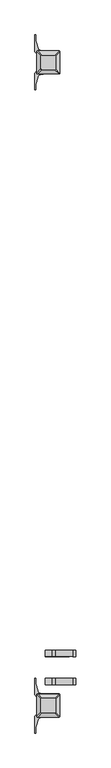
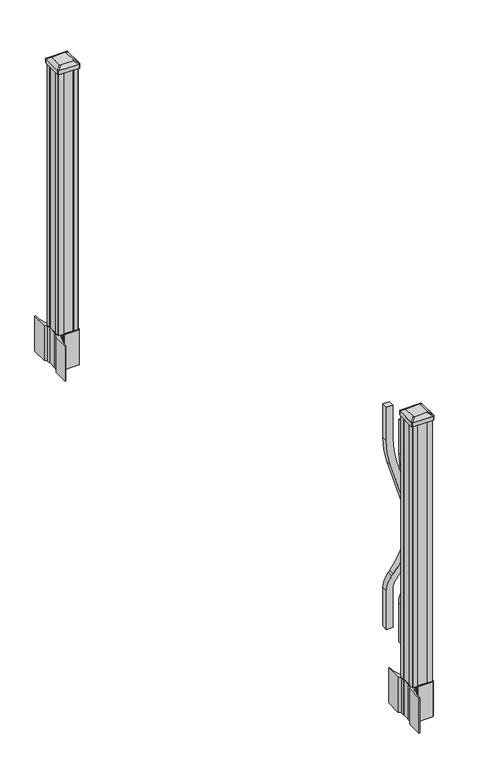
"""IFC4 building model written with IfcOpenShell, lengths in millimetres: railing geometry."""

from ifc_helpers import new_model, si_unit, point, frame, frame_2d, origin, origin_with_axes, place, context, project, spatial, polyline, circle_curve, trimmed, segment, composite_curve, outline, extrude, source, transform, mapped, element, save
from ifc_brep_helpers import plane_surface, extruded_surface, advanced_brep


def railing_8b7f5118(model_context):
    return source(origin(), model_context, "Body", "SolidModel", [
        extrude(outline(composite_curve([segment(polyline([(921.03216, 3399.4751918), (1066.8, 3399.4751918), (1066.8, 3374.0751918), (921.03216, 3374.0751918)]), True, "CONTINUOUS"), segment(trimmed(circle_curve(frame_2d((921.03216, 3746.7751918)), 372.7), [point((921.03216, 3374.0751918))], [point((812.0652257, 3390.3604092))], False, "CARTESIAN"), True, "CONTINUOUS"), segment(polyline([(812.0652257, 3390.3604092), (590.2121964, 3458.1876871)]), True, "CONTINUOUS"), segment(trimmed(circle_curve(frame_2d((512.0612397, 3202.5674258)), 267.3), [point((590.2121964, 3458.1876871))], [point((333.9522516, 3401.8824486))], True, "CARTESIAN"), True, "CONTINUOUS"), segment(polyline([(333.9522516, 3401.8824486), (327.7955374, 3396.3807754)]), True, "CONTINUOUS"), segment(trimmed(circle_curve(frame_2d((269.3587313, 3461.7751918)), 87.7), [point((327.7955374, 3396.3807754))], [point((269.3587313, 3374.0751918))], False, "CARTESIAN"), True, "CONTINUOUS"), segment(polyline([(269.3587313, 3374.0751918), (101.5958781, 3374.0751918), (101.5958781, 3399.4751918), (269.3587313, 3399.4751918)]), True, "CONTINUOUS"), segment(trimmed(circle_curve(frame_2d((269.3587313, 3461.7751918)), 62.3), [point((269.3587313, 3399.4751918))], [point((310.8708524, 3415.3205494))], True, "CARTESIAN"), True, "CONTINUOUS"), segment(polyline([(310.8708524, 3415.3205494), (317.0275666, 3420.8222226)]), True, "CONTINUOUS"), segment(trimmed(circle_curve(frame_2d((512.0612397, 3202.5674258)), 292.7), [point((317.0275666, 3420.8222226))], [point((597.6384377, 3482.4778279))], False, "CARTESIAN"), True, "CONTINUOUS"), segment(polyline([(597.6384377, 3482.4778279), (819.491467, 3414.65055)]), True, "CONTINUOUS"), segment(trimmed(circle_curve(frame_2d((921.03216, 3746.7751918)), 347.3), [point((819.491467, 3414.65055))], [point((921.03216, 3399.4751918))], True, "CARTESIAN"), True, "CONTINUOUS")], self_intersect=False)), frame((0.0, -47918.2148968, 0.0), z_axis=(0.0, 1.0, 0.0), x_axis=(0.0, 0.0, 1.0)), (0.0, 0.0, 1.0), 25.4),
        extrude(outline(composite_curve([segment(polyline([(921.03216, 3399.4751918), (1066.8, 3399.4751918), (1066.8, 3374.0751918), (921.03216, 3374.0751918)]), True, "CONTINUOUS"), segment(trimmed(circle_curve(frame_2d((921.03216, 3746.7751918)), 372.7), [point((921.03216, 3374.0751918))], [point((812.0652257, 3390.3604092))], False, "CARTESIAN"), True, "CONTINUOUS"), segment(polyline([(812.0652257, 3390.3604092), (590.2121964, 3458.1876871)]), True, "CONTINUOUS"), segment(trimmed(circle_curve(frame_2d((512.0612397, 3202.5674258)), 267.3), [point((590.2121964, 3458.1876871))], [point((333.9522516, 3401.8824486))], True, "CARTESIAN"), True, "CONTINUOUS"), segment(polyline([(333.9522516, 3401.8824486), (327.7955374, 3396.3807754)]), True, "CONTINUOUS"), segment(trimmed(circle_curve(frame_2d((269.3587313, 3461.7751918)), 87.7), [point((327.7955374, 3396.3807754))], [point((269.3587313, 3374.0751918))], False, "CARTESIAN"), True, "CONTINUOUS"), segment(polyline([(269.3587313, 3374.0751918), (101.5958781, 3374.0751918), (101.5958781, 3399.4751918), (269.3587313, 3399.4751918)]), True, "CONTINUOUS"), segment(trimmed(circle_curve(frame_2d((269.3587313, 3461.7751918)), 62.3), [point((269.3587313, 3399.4751918))], [point((310.8708524, 3415.3205494))], True, "CARTESIAN"), True, "CONTINUOUS"), segment(polyline([(310.8708524, 3415.3205494), (317.0275666, 3420.8222226)]), True, "CONTINUOUS"), segment(trimmed(circle_curve(frame_2d((512.0612397, 3202.5674258)), 292.7), [point((317.0275666, 3420.8222226))], [point((597.6384377, 3482.4778279))], False, "CARTESIAN"), True, "CONTINUOUS"), segment(polyline([(597.6384377, 3482.4778279), (819.491467, 3414.65055)]), True, "CONTINUOUS"), segment(trimmed(circle_curve(frame_2d((921.03216, 3746.7751918)), 347.3), [point((819.491467, 3414.65055))], [point((921.03216, 3399.4751918))], True, "CARTESIAN"), True, "CONTINUOUS")], self_intersect=False)), frame((0.0, -48029.4668968, 0.0), z_axis=(0.0, 1.0, 0.0), x_axis=(0.0, 0.0, 1.0)), (0.0, 0.0, 1.0), 25.4),
        extrude(outline(composite_curve([segment(polyline([(3429.5106918, -45606.6749917), (3431.0981918, -45607.4369917), (3431.0981918, -45630.2389198), (3427.7252147, -45633.6118968), (3366.2655439, -45633.6118968), (3366.2655439, -45634.5326468), (3360.9480001, -45634.5326468), (3360.9480001, -45635.9869015), (3355.8634704, -45635.9869015), (3355.8634704, -45637.2709253), (3354.1961981, -45637.2709253)]), True, "CONTINUOUS"), segment(trimmed(circle_curve(frame_2d((3354.1961981, -45644.3303852)), 7.0594599), [point((3354.1961981, -45637.2709253))], [point((3347.4289352, -45642.3203785))], True, "CARTESIAN"), True, "CONTINUOUS"), segment(polyline([(3347.4289352, -45642.3203785), (3339.554741, -45668.8311076)]), True, "CONTINUOUS"), segment(trimmed(circle_curve(frame_2d((3394.3392543, -45685.1031573)), 57.15), [point((3339.554741, -45668.8311076))], [point((3337.1892543, -45685.1031573))], True, "CARTESIAN"), True, "CONTINUOUS"), segment(polyline([(3337.1892543, -45685.1031573), (3337.1892543, -45697.1118968), (3334.1892543, -45697.1118968), (3334.1892543, -45632.0243968), (3342.4521918, -45620.6861055), (3342.4521918, -45607.4369917), (3344.0396918, -45606.6749917), (3344.0396918, -45571.902802), (3342.4521918, -45571.140802), (3342.4521918, -45557.8916882), (3334.1892543, -45546.5533968), (3334.1892543, -45481.4658968), (3337.1892543, -45481.4658968), (3337.1892543, -45493.4746364)]), True, "CONTINUOUS"), segment(trimmed(circle_curve(frame_2d((3394.3392543, -45493.4746364)), 57.15), [point((3337.1892543, -45493.4746364))], [point((3339.554741, -45509.746686))], True, "CARTESIAN"), True, "CONTINUOUS"), segment(polyline([(3339.554741, -45509.746686), (3347.4289352, -45536.2574151)]), True, "CONTINUOUS"), segment(trimmed(circle_curve(frame_2d((3354.1961981, -45534.2474085)), 7.0594599), [point((3347.4289352, -45536.2574151))], [point((3354.1961981, -45541.3068683))], True, "CARTESIAN"), True, "CONTINUOUS"), segment(polyline([(3354.1961981, -45541.3068683), (3355.8634704, -45541.3068683), (3355.8634704, -45542.5908921), (3360.9480001, -45542.5908921), (3360.9480001, -45544.0451468), (3366.2655439, -45544.0451468), (3366.2655439, -45544.9658968), (3427.7252147, -45544.9658968), (3431.0981918, -45548.3388739), (3431.0981918, -45571.140802), (3429.5106918, -45571.902802), (3429.5106918, -45606.6749917)]), True, "CONTINUOUS")], self_intersect=False), holes=[polyline([(3345.5001918, -45549.6013968), (3345.5001918, -45628.9763968), (3347.0876918, -45630.5638968), (3384.0119744, -45630.5638968), (3426.4626918, -45630.5638968), (3428.0501918, -45628.9763968), (3428.0501918, -45549.6013968), (3426.4626918, -45548.0138968), (3384.0119744, -45548.0138968), (3347.0876918, -45548.0138968), (3345.5001918, -45549.6013968)])]), frame((0.0, 0.0, -152.4), z_axis=(0.0, 0.0, 1.0), x_axis=(1.0, 0.0, 0.0)), (0.0, 0.0, 1.0), 152.4),
        advanced_brep(
        [(3360.9783168, -45618.2607718, 1165.225), (3412.5720668, -45618.2607718, 1165.225), (3415.7470668, -45615.0857718, 1165.225), (3415.7470668, -45563.4920218, 1165.225), (3412.5720668, -45560.3170218, 1165.225), (3360.9783168, -45560.3170218, 1165.225), (3357.8033168, -45563.4920218, 1165.225), (3357.8033168, -45615.0857718, 1165.225), (3344.7064418, -45634.5326468, 1153.922), (3341.5314418, -45631.3576468, 1153.922), (3341.5314418, -45547.2201468, 1153.922), (3344.7064418, -45544.0451468, 1153.922), (3428.8439418, -45544.0451468, 1153.922), (3432.0189418, -45547.2201468, 1153.922), (3432.0189418, -45631.3576468, 1153.922), (3428.8439418, -45634.5326468, 1153.922)],
        [
            (0, 1),
            (1, 2, circle_curve(frame((3412.5720668, -45615.0857718, 1165.225), z_axis=(0.0, 0.0, 1.0), x_axis=(0.0, 1.0, 0.0)), 3.175)),
            (2, 3),
            (3, 4, circle_curve(frame((3412.5720668, -45563.4920218, 1165.225), z_axis=(0.0, 0.0, 1.0), x_axis=(0.0, 1.0, 0.0)), 3.175)),
            (4, 5),
            (5, 6, circle_curve(frame((3360.9783168, -45563.4920218, 1165.225), z_axis=(0.0, 0.0, 1.0), x_axis=(0.0, 1.0, 0.0)), 3.175)),
            (6, 7),
            (7, 0, circle_curve(frame((3360.9783168, -45615.0857718, 1165.225), z_axis=(0.0, 0.0, 1.0), x_axis=(0.0, 1.0, 0.0)), 3.175)),
            (8, 9, circle_curve(frame((3344.7064418, -45631.3576468, 1153.922), z_axis=(0.0, 0.0, -1.0), x_axis=(0.0, 1.0, 0.0)), 3.175)),
            (9, 10),
            (10, 11, circle_curve(frame((3344.7064418, -45547.2201468, 1153.922), z_axis=(0.0, 0.0, -1.0), x_axis=(0.0, 1.0, 0.0)), 3.175)),
            (11, 12),
            (12, 13, circle_curve(frame((3428.8439418, -45547.2201468, 1153.922), z_axis=(0.0, 0.0, -1.0), x_axis=(0.0, 1.0, 0.0)), 3.175)),
            (13, 14),
            (14, 15, circle_curve(frame((3428.8439418, -45631.3576468, 1153.922), z_axis=(0.0, 0.0, -1.0), x_axis=(0.0, 1.0, 0.0)), 3.175)),
            (15, 8),
            (8, 0),
            (7, 9),
            (6, 10),
            (5, 11),
            (4, 12),
            (3, 13),
            (2, 14),
            (1, 15),
        ],
        [
            plane_surface(frame((3386.7751918, -45589.2888968, 1165.225), z_axis=(0.0, 0.0, 1.0), x_axis=(-1.0, 0.0, 0.0))),
            plane_surface(frame((3386.7751918, -45589.2888968, 1153.922), z_axis=(0.0, 0.0, -1.0), x_axis=(-1.0, 0.0, 0.0))),
            extruded_surface(trimmed(circle_curve(frame((3360.9783168, -45615.0857718, 1165.225), z_axis=(0.0, 0.0, -1.0), x_axis=(0.0, 1.0, 0.0)), 3.175), [point((3360.9783168, -45618.2607718, 1165.225))], [point((3357.8033168, -45615.0857718, 1165.225))], True, "CARTESIAN"), (-16.27187499999991, -16.27187500000582, -11.302999999999884), 25.637972638869748),
            plane_surface(frame((3341.5314418, -45589.2888968, 1153.922), z_axis=(-0.5705009161540777, 0.0, 0.8212969649690409), x_axis=(0.0, 1.0, 0.0))),
            extruded_surface(trimmed(circle_curve(frame((3360.9783168, -45563.4920218, 1165.225), z_axis=(0.0, 0.0, -1.0), x_axis=(0.0, 1.0, 0.0)), 3.175), [point((3357.8033168, -45563.4920218, 1165.225))], [point((3360.9783168, -45560.3170218, 1165.225))], True, "CARTESIAN"), (-16.27187499999991, 16.271874999998545, -11.302999999999884), 25.63797263886513),
            plane_surface(frame((3386.7751918, -45544.0451468, 1153.922), z_axis=(0.0, 0.5705009161540291, 0.8212969649690747), x_axis=(1.0, 0.0, 0.0))),
            extruded_surface(trimmed(circle_curve(frame((3412.5720668, -45563.4920218, 1165.225), z_axis=(0.0, 0.0, -1.0), x_axis=(0.0, 1.0, 0.0)), 3.175), [point((3412.5720668, -45560.3170218, 1165.225))], [point((3415.7470668, -45563.4920218, 1165.225))], True, "CARTESIAN"), (16.27187499999991, 16.271874999998545, -11.302999999999884), 25.63797263886513),
            plane_surface(frame((3432.0189418, -45589.2888968, 1153.922), z_axis=(0.5705009161540143, 0.0, 0.821296964969085), x_axis=(0.0, -1.0, 0.0))),
            extruded_surface(trimmed(circle_curve(frame((3412.5720668, -45615.0857718, 1165.225), z_axis=(0.0, 0.0, -1.0), x_axis=(0.0, 1.0, 0.0)), 3.175), [point((3415.7470668, -45615.0857718, 1165.225))], [point((3412.5720668, -45618.2607718, 1165.225))], True, "CARTESIAN"), (16.27187499999991, -16.27187500000582, -11.302999999999884), 25.637972638869748),
            plane_surface(frame((3386.7751918, -45634.5326468, 1153.922), z_axis=(0.0, -0.570500916154034, 0.8212969649690713), x_axis=(-1.0, 0.0, 0.0))),
        ],
        [
            (0, [[1, 2, 3, 4, 5, 6, 7, 8]]),
            (1, [[9, 10, 11, 12, 13, 14, 15, 16]]),
            (2, [[17, -8, 18, -9]]),
            (3, [[-18, -7, 19, -10]]),
            (4, [[-19, -6, 20, -11]]),
            (5, [[-20, -5, 21, -12]]),
            (6, [[-21, -4, 22, -13]]),
            (7, [[-22, -3, 23, -14]]),
            (8, [[-23, -2, 24, -15]]),
            (9, [[-24, -1, -17, -16]]),
        ],
    ),
        extrude(outline(composite_curve([segment(trimmed(circle_curve(frame_2d((3344.7064418, -45631.3576468)), 3.175), [point((3344.7064418, -45634.5326468))], [point((3341.5314418, -45631.3576468))], False, "CARTESIAN"), True, "CONTINUOUS"), segment(polyline([(3341.5314418, -45631.3576468), (3341.5314418, -45547.2201468)]), True, "CONTINUOUS"), segment(trimmed(circle_curve(frame_2d((3344.7064418, -45547.2201468)), 3.175), [point((3341.5314418, -45547.2201468))], [point((3344.7064418, -45544.0451468))], False, "CARTESIAN"), True, "CONTINUOUS"), segment(polyline([(3344.7064418, -45544.0451468), (3428.8439418, -45544.0451468)]), True, "CONTINUOUS"), segment(trimmed(circle_curve(frame_2d((3428.8439418, -45547.2201468)), 3.175), [point((3428.8439418, -45544.0451468))], [point((3432.0189418, -45547.2201468))], False, "CARTESIAN"), True, "CONTINUOUS"), segment(polyline([(3432.0189418, -45547.2201468), (3432.0189418, -45631.3576468)]), True, "CONTINUOUS"), segment(trimmed(circle_curve(frame_2d((3428.8439418, -45631.3576468)), 3.175), [point((3432.0189418, -45631.3576468))], [point((3428.8439418, -45634.5326468))], False, "CARTESIAN"), True, "CONTINUOUS"), segment(polyline([(3428.8439418, -45634.5326468), (3344.7064418, -45634.5326468)]), True, "CONTINUOUS")], self_intersect=False)), frame((0.0, 0.0, 1136.65), z_axis=(0.0, 0.0, 1.0), x_axis=(1.0, 0.0, 0.0)), (0.0, 0.0, 1.0), 17.272),
        extrude(outline(polyline([(3347.0876918, -45630.5638968), (3345.5001918, -45628.9763968), (3345.5001918, -45609.3548968), (3347.0876918, -45608.5928968), (3347.0876918, -45569.9848968), (3345.5001918, -45569.2228968), (3345.5001918, -45549.6013968), (3347.0876918, -45548.0138968), (3366.7091918, -45548.0138968), (3367.4711918, -45549.6013968), (3406.0791918, -45549.6013968), (3406.8411918, -45548.0138968), (3426.4626918, -45548.0138968), (3428.0501918, -45549.6013968), (3428.0501918, -45569.2228968), (3426.4626918, -45569.9848968), (3426.4626918, -45608.5928968), (3428.0501918, -45609.3548968), (3428.0501918, -45628.9763968), (3426.4626918, -45630.5638968), (3406.8411918, -45630.5638968), (3406.0791918, -45628.9763968), (3367.4711918, -45628.9763968), (3366.7091918, -45630.5638968), (3347.0876918, -45630.5638968)])), origin_with_axes(), (0.0, 0.0, 1.0), 1136.65),
        extrude(outline(composite_curve([segment(polyline([(3429.5106918, -48127.8789917), (3431.0981918, -48128.6409917), (3431.0981918, -48151.4429198), (3427.7252147, -48154.8158968), (3366.2655439, -48154.8158968), (3366.2655439, -48155.7366468), (3360.9480001, -48155.7366468), (3360.9480001, -48157.1909015), (3355.8634704, -48157.1909015), (3355.8634704, -48158.4749253), (3354.1961981, -48158.4749253)]), True, "CONTINUOUS"), segment(trimmed(circle_curve(frame_2d((3354.1961981, -48165.5343852)), 7.0594599), [point((3354.1961981, -48158.4749253))], [point((3347.4289352, -48163.5243785))], True, "CARTESIAN"), True, "CONTINUOUS"), segment(polyline([(3347.4289352, -48163.5243785), (3339.554741, -48190.0351076)]), True, "CONTINUOUS"), segment(trimmed(circle_curve(frame_2d((3394.3392543, -48206.3071573)), 57.15), [point((3339.554741, -48190.0351076))], [point((3337.1892543, -48206.3071573))], True, "CARTESIAN"), True, "CONTINUOUS"), segment(polyline([(3337.1892543, -48206.3071573), (3337.1892543, -48218.3158968), (3334.1892543, -48218.3158968), (3334.1892543, -48153.2283968), (3342.4521918, -48141.8901055), (3342.4521918, -48128.6409917), (3344.0396918, -48127.8789917), (3344.0396918, -48093.106802), (3342.4521918, -48092.344802), (3342.4521918, -48079.0956882), (3334.1892543, -48067.7573968), (3334.1892543, -48002.6698968), (3337.1892543, -48002.6698968), (3337.1892543, -48014.6786364)]), True, "CONTINUOUS"), segment(trimmed(circle_curve(frame_2d((3394.3392543, -48014.6786364)), 57.15), [point((3337.1892543, -48014.6786364))], [point((3339.554741, -48030.950686))], True, "CARTESIAN"), True, "CONTINUOUS"), segment(polyline([(3339.554741, -48030.950686), (3347.4289352, -48057.4614151)]), True, "CONTINUOUS"), segment(trimmed(circle_curve(frame_2d((3354.1961981, -48055.4514085)), 7.0594599), [point((3347.4289352, -48057.4614151))], [point((3354.1961981, -48062.5108683))], True, "CARTESIAN"), True, "CONTINUOUS"), segment(polyline([(3354.1961981, -48062.5108683), (3355.8634704, -48062.5108683), (3355.8634704, -48063.7948921), (3360.9480001, -48063.7948921), (3360.9480001, -48065.2491468), (3366.2655439, -48065.2491468), (3366.2655439, -48066.1698968), (3427.7252147, -48066.1698968), (3431.0981918, -48069.5428739), (3431.0981918, -48092.344802), (3429.5106918, -48093.106802), (3429.5106918, -48127.8789917)]), True, "CONTINUOUS")], self_intersect=False), holes=[polyline([(3345.5001918, -48070.8053968), (3345.5001918, -48150.1803968), (3347.0876918, -48151.7678968), (3384.0119744, -48151.7678968), (3426.4626918, -48151.7678968), (3428.0501918, -48150.1803968), (3428.0501918, -48070.8053968), (3426.4626918, -48069.2178968), (3384.0119744, -48069.2178968), (3347.0876918, -48069.2178968), (3345.5001918, -48070.8053968)])]), frame((0.0, 0.0, -152.4), z_axis=(0.0, 0.0, 1.0), x_axis=(1.0, 0.0, 0.0)), (0.0, 0.0, 1.0), 152.4),
        advanced_brep(
        [(3360.9783168, -48139.4647718, 1165.225), (3412.5720668, -48139.4647718, 1165.225), (3415.7470668, -48136.2897718, 1165.225), (3415.7470668, -48084.6960218, 1165.225), (3412.5720668, -48081.5210218, 1165.225), (3360.9783168, -48081.5210218, 1165.225), (3357.8033168, -48084.6960218, 1165.225), (3357.8033168, -48136.2897718, 1165.225), (3344.7064418, -48155.7366468, 1153.922), (3341.5314418, -48152.5616468, 1153.922), (3341.5314418, -48068.4241468, 1153.922), (3344.7064418, -48065.2491468, 1153.922), (3428.8439418, -48065.2491468, 1153.922), (3432.0189418, -48068.4241468, 1153.922), (3432.0189418, -48152.5616468, 1153.922), (3428.8439418, -48155.7366468, 1153.922)],
        [
            (0, 1),
            (1, 2, circle_curve(frame((3412.5720668, -48136.2897718, 1165.225), z_axis=(0.0, 0.0, 1.0), x_axis=(0.0, 1.0, 0.0)), 3.175)),
            (2, 3),
            (3, 4, circle_curve(frame((3412.5720668, -48084.6960218, 1165.225), z_axis=(0.0, 0.0, 1.0), x_axis=(0.0, 1.0, 0.0)), 3.175)),
            (4, 5),
            (5, 6, circle_curve(frame((3360.9783168, -48084.6960218, 1165.225), z_axis=(0.0, 0.0, 1.0), x_axis=(0.0, 1.0, 0.0)), 3.175)),
            (6, 7),
            (7, 0, circle_curve(frame((3360.9783168, -48136.2897718, 1165.225), z_axis=(0.0, 0.0, 1.0), x_axis=(0.0, 1.0, 0.0)), 3.175)),
            (8, 9, circle_curve(frame((3344.7064418, -48152.5616468, 1153.922), z_axis=(0.0, 0.0, -1.0), x_axis=(0.0, 1.0, 0.0)), 3.175)),
            (9, 10),
            (10, 11, circle_curve(frame((3344.7064418, -48068.4241468, 1153.922), z_axis=(0.0, 0.0, -1.0), x_axis=(0.0, 1.0, 0.0)), 3.175)),
            (11, 12),
            (12, 13, circle_curve(frame((3428.8439418, -48068.4241468, 1153.922), z_axis=(0.0, 0.0, -1.0), x_axis=(0.0, 1.0, 0.0)), 3.175)),
            (13, 14),
            (14, 15, circle_curve(frame((3428.8439418, -48152.5616468, 1153.922), z_axis=(0.0, 0.0, -1.0), x_axis=(0.0, 1.0, 0.0)), 3.175)),
            (15, 8),
            (8, 0),
            (7, 9),
            (6, 10),
            (5, 11),
            (4, 12),
            (3, 13),
            (2, 14),
            (1, 15),
        ],
        [
            plane_surface(frame((3386.7751918, -48110.4928968, 1165.225), z_axis=(0.0, 0.0, 1.0), x_axis=(-1.0, 0.0, 0.0))),
            plane_surface(frame((3386.7751918, -48110.4928968, 1153.922), z_axis=(0.0, 0.0, -1.0), x_axis=(-1.0, 0.0, 0.0))),
            extruded_surface(trimmed(circle_curve(frame((3360.9783168, -48136.2897718, 1165.225), z_axis=(0.0, 0.0, -1.0), x_axis=(0.0, 1.0, 0.0)), 3.175), [point((3360.9783168, -48139.4647718, 1165.225))], [point((3357.8033168, -48136.2897718, 1165.225))], True, "CARTESIAN"), (-16.27187499999991, -16.271874999998545, -11.302999999999884), 25.63797263886513),
            plane_surface(frame((3341.5314418, -48110.4928968, 1153.922), z_axis=(-0.5705009161540777, 0.0, 0.8212969649690409), x_axis=(0.0, 1.0, 0.0))),
            extruded_surface(trimmed(circle_curve(frame((3360.9783168, -48084.6960218, 1165.225), z_axis=(0.0, 0.0, -1.0), x_axis=(0.0, 1.0, 0.0)), 3.175), [point((3357.8033168, -48084.6960218, 1165.225))], [point((3360.9783168, -48081.5210218, 1165.225))], True, "CARTESIAN"), (-16.27187499999991, 16.27187500000582, -11.302999999999884), 25.637972638869748),
            plane_surface(frame((3386.7751918, -48065.2491468, 1153.922), z_axis=(0.0, 0.5705009161540291, 0.8212969649690747), x_axis=(1.0, 0.0, 0.0))),
            extruded_surface(trimmed(circle_curve(frame((3412.5720668, -48084.6960218, 1165.225), z_axis=(0.0, 0.0, -1.0), x_axis=(0.0, 1.0, 0.0)), 3.175), [point((3412.5720668, -48081.5210218, 1165.225))], [point((3415.7470668, -48084.6960218, 1165.225))], True, "CARTESIAN"), (16.27187499999991, 16.27187500000582, -11.302999999999884), 25.637972638869748),
            plane_surface(frame((3432.0189418, -48110.4928968, 1153.922), z_axis=(0.5705009161540143, 0.0, 0.821296964969085), x_axis=(0.0, -1.0, 0.0))),
            extruded_surface(trimmed(circle_curve(frame((3412.5720668, -48136.2897718, 1165.225), z_axis=(0.0, 0.0, -1.0), x_axis=(0.0, 1.0, 0.0)), 3.175), [point((3415.7470668, -48136.2897718, 1165.225))], [point((3412.5720668, -48139.4647718, 1165.225))], True, "CARTESIAN"), (16.27187499999991, -16.271874999998545, -11.302999999999884), 25.63797263886513),
            plane_surface(frame((3386.7751918, -48155.7366468, 1153.922), z_axis=(0.0, -0.570500916154034, 0.8212969649690713), x_axis=(-1.0, 0.0, 0.0))),
        ],
        [
            (0, [[1, 2, 3, 4, 5, 6, 7, 8]]),
            (1, [[9, 10, 11, 12, 13, 14, 15, 16]]),
            (2, [[17, -8, 18, -9]]),
            (3, [[-18, -7, 19, -10]]),
            (4, [[-19, -6, 20, -11]]),
            (5, [[-20, -5, 21, -12]]),
            (6, [[-21, -4, 22, -13]]),
            (7, [[-22, -3, 23, -14]]),
            (8, [[-23, -2, 24, -15]]),
            (9, [[-24, -1, -17, -16]]),
        ],
    ),
        extrude(outline(composite_curve([segment(trimmed(circle_curve(frame_2d((3344.7064418, -48152.5616468)), 3.175), [point((3344.7064418, -48155.7366468))], [point((3341.5314418, -48152.5616468))], False, "CARTESIAN"), True, "CONTINUOUS"), segment(polyline([(3341.5314418, -48152.5616468), (3341.5314418, -48068.4241468)]), True, "CONTINUOUS"), segment(trimmed(circle_curve(frame_2d((3344.7064418, -48068.4241468)), 3.175), [point((3341.5314418, -48068.4241468))], [point((3344.7064418, -48065.2491468))], False, "CARTESIAN"), True, "CONTINUOUS"), segment(polyline([(3344.7064418, -48065.2491468), (3428.8439418, -48065.2491468)]), True, "CONTINUOUS"), segment(trimmed(circle_curve(frame_2d((3428.8439418, -48068.4241468)), 3.175), [point((3428.8439418, -48065.2491468))], [point((3432.0189418, -48068.4241468))], False, "CARTESIAN"), True, "CONTINUOUS"), segment(polyline([(3432.0189418, -48068.4241468), (3432.0189418, -48152.5616468)]), True, "CONTINUOUS"), segment(trimmed(circle_curve(frame_2d((3428.8439418, -48152.5616468)), 3.175), [point((3432.0189418, -48152.5616468))], [point((3428.8439418, -48155.7366468))], False, "CARTESIAN"), True, "CONTINUOUS"), segment(polyline([(3428.8439418, -48155.7366468), (3344.7064418, -48155.7366468)]), True, "CONTINUOUS")], self_intersect=False)), frame((0.0, 0.0, 1136.65), z_axis=(0.0, 0.0, 1.0), x_axis=(1.0, 0.0, 0.0)), (0.0, 0.0, 1.0), 17.272),
        extrude(outline(polyline([(3347.0876918, -48151.7678968), (3345.5001918, -48150.1803968), (3345.5001918, -48130.5588968), (3347.0876918, -48129.7968968), (3347.0876918, -48091.1888968), (3345.5001918, -48090.4268968), (3345.5001918, -48070.8053968), (3347.0876918, -48069.2178968), (3366.7091918, -48069.2178968), (3367.4711918, -48070.8053968), (3406.0791918, -48070.8053968), (3406.8411918, -48069.2178968), (3426.4626918, -48069.2178968), (3428.0501918, -48070.8053968), (3428.0501918, -48090.4268968), (3426.4626918, -48091.1888968), (3426.4626918, -48129.7968968), (3428.0501918, -48130.5588968), (3428.0501918, -48150.1803968), (3426.4626918, -48151.7678968), (3406.8411918, -48151.7678968), (3406.0791918, -48150.1803968), (3367.4711918, -48150.1803968), (3366.7091918, -48151.7678968), (3347.0876918, -48151.7678968)])), origin_with_axes(), (0.0, 0.0, 1.0), 1136.65),
    ])


if __name__ == "__main__":
    model = new_model("IFC4")
    model_context = context("Model", 3, world=origin())
    ifc_project = project(units=[si_unit("LENGTHUNIT", "METRE", prefix="MILLI")], contexts=[model_context])
    site = spatial("IfcSite", under=ifc_project)
    building = spatial("IfcBuilding", under=site)
    placement = place(None, origin())
    railing_shape = railing_8b7f5118(model_context)
    element("IfcRailing", 1, at=placement, inside=building, context=model_context, shape_type="MappedRepresentation", body=[
        mapped(railing_shape, transform((0.0, 0.0, 0.0), x_axis=(1.0, 0.0, 0.0), y_axis=(0.0, 1.0, 0.0), z_axis=(0.0, 0.0, 1.0))),
    ])
    save(model, "model.ifc")
